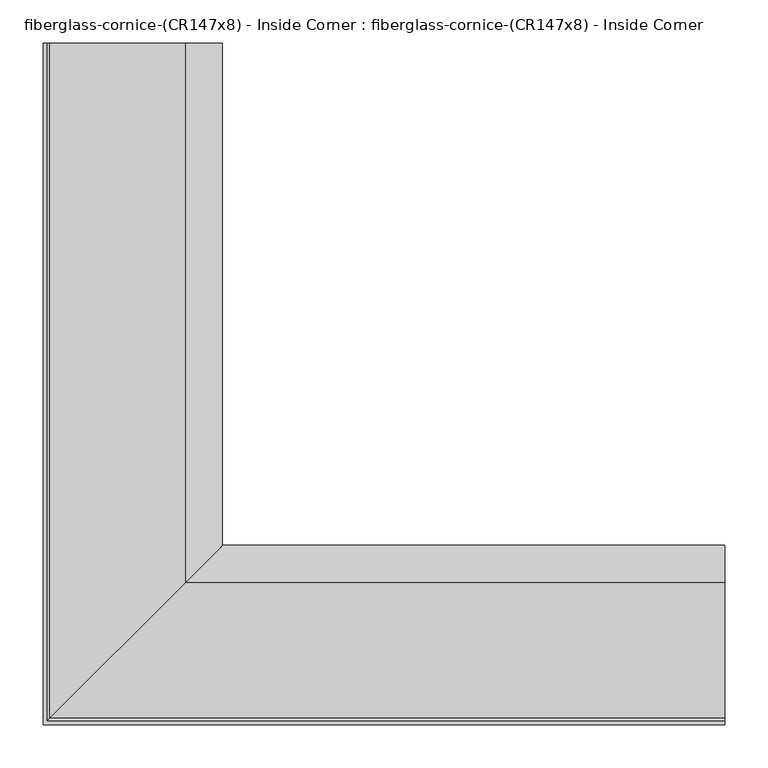
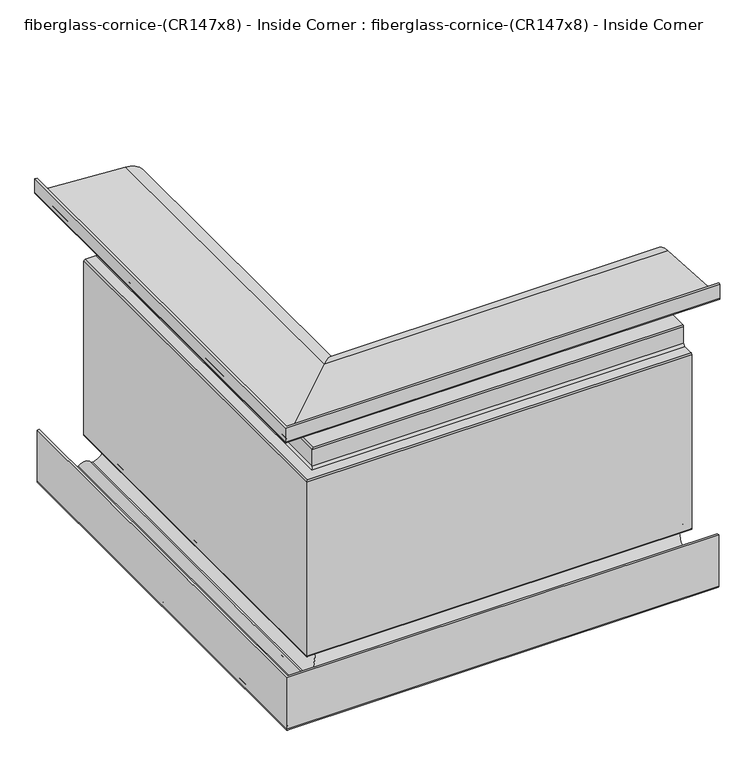
"""IFC4 building model written with IfcOpenShell, lengths in millimetres: furniture geometry, fiberglass-cornice-(CR147x8) - Inside Corner : fiberglass-cornice-(CR147x8) - Inside Corner."""

from ifc_helpers import new_model, si_unit, frame, origin, place, context, project, spatial, polyline, circle_curve, ellipse_curve, source, transform, mapped, element, save
from ifc_brep_helpers import plane_surface, cylinder_surface, revolved_surface, advanced_brep


def fiberglass_cornice_cr147x8_inside_corner_fiberglass_cornice_ae89ceee(model_context):
    return source(origin(), model_context, "Body", "AdvancedBrep", [
        advanced_brep(
        [(-393.6999938, 888.603125, 330.1999904), (-389.5724914, 888.603125, 330.1999904), (-389.5724914, 888.603125, 307.6054193), (-386.5877292, 888.603125, 304.6206571), (-229.6882374, 888.603125, 295.1944431), (-229.4397752, 888.603125, 203.2958774), (-232.4098251, 888.603125, 200.3258275), (-232.4098251, 888.603125, 180.9749641), (-235.5848155, 888.603125, 177.7999736), (-272.0974586, 888.603125, 177.7999736), (-275.2724788, 888.603125, 174.6249534), (-275.2724788, 888.603125, 142.8749897), (-278.447499, 888.603125, 139.6999694), (-297.4973819, 888.603125, 139.6999694), (-300.6724021, 888.603125, 136.5249492), (-300.6724021, 888.603125, -187.3250119), (-297.4973819, 888.603125, -190.5000322), (-294.3224365, 888.603125, -190.5000322), (-291.7746391, 888.603125, -253.8953323), (-295.003152, 888.603125, -252.1216536), (-312.7217899, 888.603125, -252.1845378), (-315.5909679, 888.603125, -254.0000342), (-386.3974712, 888.603125, -254.0000342), (-389.5724914, 888.603125, -250.825014), (-389.5724914, 888.603125, -152.4000354), (-385.444989, 888.603125, -152.4000354), (-385.444989, 888.603125, -246.0623668), (-381.6348217, 888.603125, -249.8725341), (-318.2934425, 888.603125, -249.8725341), (-315.1940831, 888.603125, -248.2782681), (-292.7600699, 888.603125, -247.9272954), (-288.9968172, 888.603125, -249.3542827), (-294.3176525, 888.603125, -194.6275346), (-302.2600315, 888.603125, -194.6275346), (-304.7999046, 888.603125, -192.0876615), (-304.7999046, 888.603125, 141.2875988), (-302.2600315, 888.603125, 143.8274719), (-283.2099698, 888.603125, 143.8274719), (-279.3999813, 888.603125, 147.6374604), (-279.3999813, 888.603125, 179.3873645), (-276.8598697, 888.603125, 181.9274761), (-240.347316, 888.603125, 181.9274761), (-236.5373275, 888.603125, 185.7374646), (-236.5373275, 888.603125, 204.7235973), (-233.8519664, 888.603125, 207.3536327), (-229.8966548, 888.603125, 291.0720445), (-391.3122318, 888.603125, 300.7695414), (-393.6999938, 888.603125, 303.1573035), (393.6999938, 101.203125, 330.1999904), (393.6999938, 101.203125, 303.1573035), (393.6999938, 103.5908871, 300.7695414), (393.6999938, 265.006464, 291.0720445), (393.6999938, 261.0511525, 207.3536327), (393.6999938, 258.3657913, 204.7235973), (393.6999938, 258.3657913, 185.7374646), (393.6999938, 254.5558028, 181.9274761), (393.6999938, 218.0432491, 181.9274761), (393.6999938, 215.5031376, 179.3873645), (393.6999938, 215.5031376, 147.6374604), (393.6999938, 211.6931491, 143.8274719), (393.6999938, 192.6430874, 143.8274719), (393.6999938, 190.1032143, 141.2875988), (393.6999938, 190.1032143, -192.0876615), (393.6999938, 192.6430874, -194.6275346), (393.6999938, 200.5854663, -194.6275346), (393.6999938, 205.9063017, -249.3542827), (393.6999938, 202.1430489, -247.9272954), (393.6999938, 179.7090357, -248.2782681), (393.6999938, 176.6096764, -249.8725341), (393.6999938, 113.2682972, -249.8725341), (393.6999938, 109.4581299, -246.0623668), (393.6999938, 109.4581299, -152.4000354), (393.6999938, 105.3306274, -152.4000354), (393.6999938, 105.3306274, -250.825014), (393.6999938, 108.5056477, -254.0000342), (393.6999938, 179.312151, -254.0000342), (393.6999938, 182.1813289, -252.1845378), (393.6999938, 199.8999668, -252.1216536), (393.6999938, 203.1284798, -253.8953323), (393.6999938, 200.5806824, -190.5000322), (393.6999938, 197.4057369, -190.5000322), (393.6999938, 194.2307167, -187.3250119), (393.6999938, 194.2307167, 136.5249492), (393.6999938, 197.4057369, 139.6999694), (393.6999938, 216.4556198, 139.6999694), (393.6999938, 219.63064, 142.8749897), (393.6999938, 219.63064, 174.6249534), (393.6999938, 222.8056602, 177.7999736), (393.6999938, 259.3183033, 177.7999736), (393.6999938, 262.4932938, 180.9749641), (393.6999938, 262.4932938, 200.3258275), (393.6999938, 265.4633437, 203.2958774), (393.6999938, 265.2148815, 295.1944431), (393.6999938, 108.3153896, 304.6206571), (393.6999938, 105.3306274, 307.6054193), (393.6999938, 105.3306274, 330.1999904), (-393.6999938, 101.203125, 330.1999904), (-389.5724914, 105.3306274, 330.1999904), (-389.5724914, 105.3306274, 307.6054193), (-386.5877292, 108.3153896, 304.6206571), (-229.6882374, 265.2148815, 295.1944431), (-229.4397752, 265.4633437, 203.2958774), (-232.4098251, 262.4932938, 200.3258275), (-232.4098251, 262.4932938, 180.9749641), (-235.5848155, 259.3183033, 177.7999736), (-272.0974586, 222.8056602, 177.7999736), (-275.2724788, 219.63064, 174.6249534), (-275.2724788, 219.63064, 142.8749897), (-278.447499, 216.4556198, 139.6999694), (-297.4973819, 197.4057369, 139.6999694), (-300.6724021, 194.2307167, 136.5249492), (-300.6724021, 194.2307167, -187.3250119), (-297.4973819, 197.4057369, -190.5000322), (-294.3224365, 200.5806824, -190.5000322), (-291.7746391, 203.1284798, -253.8953323), (-295.003152, 199.8999668, -252.1216536), (-312.7217899, 182.1813289, -252.1845378), (-315.5909679, 179.312151, -254.0000342), (-386.3974712, 108.5056477, -254.0000342), (-389.5724914, 105.3306274, -250.825014), (-389.5724914, 105.3306274, -152.4000354), (-385.444989, 109.4581299, -152.4000354), (-385.444989, 109.4581299, -246.0623668), (-381.6348217, 113.2682972, -249.8725341), (-318.2934425, 176.6096764, -249.8725341), (-315.1940831, 179.7090357, -248.2782681), (-292.7600699, 202.1430489, -247.9272954), (-288.9968172, 205.9063017, -249.3542827), (-294.3176525, 200.5854663, -194.6275346), (-302.2600315, 192.6430874, -194.6275346), (-304.7999046, 190.1032143, -192.0876615), (-304.7999046, 190.1032143, 141.2875988), (-302.2600315, 192.6430874, 143.8274719), (-283.2099698, 211.6931491, 143.8274719), (-279.3999813, 215.5031376, 147.6374604), (-279.3999813, 215.5031376, 179.3873645), (-276.8598697, 218.0432491, 181.9274761), (-240.347316, 254.5558028, 181.9274761), (-236.5373275, 258.3657913, 185.7374646), (-236.5373275, 258.3657913, 204.7235973), (-233.8519664, 261.0511525, 207.3536327), (-229.8966548, 265.006464, 291.0720445), (-391.3122318, 103.5908871, 300.7695414), (-393.6999938, 101.203125, 303.1573035)],
        [
            (0, 1),
            (1, 2),
            (2, 3, circle_curve(frame((-386.5877292, 888.603125, 307.6054193), z_axis=(0.0, -1.0, 0.0), x_axis=(1.0, 0.0, 0.0)), 2.9847622)),
            (3, 4),
            (4, 5, circle_curve(frame((-232.4099365, 888.603125, 249.2374658), z_axis=(0.0, 1.0, 0.0), x_axis=(1.0, 0.0, 0.0)), 46.0375)),
            (5, 6, circle_curve(frame((-229.4397752, 888.603125, 200.3258275), z_axis=(0.0, -1.0, 0.0), x_axis=(1.0, 0.0, 0.0)), 2.9700499)),
            (6, 7),
            (7, 8, circle_curve(frame((-235.5848155, 888.603125, 180.9749641), z_axis=(0.0, 1.0, 0.0), x_axis=(1.0, 0.0, 0.0)), 3.1749904)),
            (8, 9),
            (9, 10, circle_curve(frame((-272.0974586, 888.603125, 174.6249534), z_axis=(0.0, -1.0, 0.0), x_axis=(1.0, 0.0, 0.0)), 3.1750202)),
            (10, 11),
            (11, 12, circle_curve(frame((-278.447499, 888.603125, 142.8749897), z_axis=(0.0, 1.0, 0.0), x_axis=(1.0, 0.0, 0.0)), 3.1750202)),
            (12, 13),
            (13, 14, circle_curve(frame((-297.4973819, 888.603125, 136.5249492), z_axis=(0.0, -1.0, 0.0), x_axis=(1.0, 0.0, 0.0)), 3.1750202)),
            (14, 15),
            (15, 16, circle_curve(frame((-297.4973819, 888.603125, -187.3250119), z_axis=(0.0, -1.0, 0.0), x_axis=(1.0, 0.0, 0.0)), 3.1750202)),
            (16, 17),
            (17, 18, circle_curve(frame((-294.3224365, 888.603125, -222.248879), z_axis=(0.0, 1.0, 0.0), x_axis=(1.0, 0.0, 0.0)), 31.7488469)),
            (18, 19, circle_curve(frame((-292.1436479, 888.603125, -250.7418489), z_axis=(0.0, 1.0, 0.0), x_axis=(1.0, 0.0, 0.0)), 3.175)),
            (19, 20, circle_curve(frame((-303.8474365, 888.603125, -256.3893115), z_axis=(0.0, -1.0, 0.0), x_axis=(1.0, 0.0, 0.0)), 9.8200953)),
            (20, 21, circle_curve(frame((-315.5909679, 888.603125, -250.8250873), z_axis=(0.0, 1.0, 0.0), x_axis=(1.0, 0.0, 0.0)), 3.1749469)),
            (21, 22),
            (22, 23, circle_curve(frame((-386.3974712, 888.603125, -250.825014), z_axis=(0.0, 1.0, 0.0), x_axis=(1.0, 0.0, 0.0)), 3.1750202)),
            (23, 24),
            (24, 25),
            (25, 26),
            (26, 27, circle_curve(frame((-381.6348217, 888.603125, -246.0623668), z_axis=(0.0, -1.0, 0.0), x_axis=(1.0, 0.0, 0.0)), 3.8101673)),
            (27, 28),
            (28, 29, circle_curve(frame((-318.2934425, 888.603125, -246.0627203), z_axis=(0.0, -1.0, 0.0), x_axis=(1.0, 0.0, 0.0)), 3.8098137)),
            (29, 30, circle_curve(frame((-303.8474365, 888.603125, -256.3893115), z_axis=(0.0, 1.0, 0.0), x_axis=(1.0, 0.0, 0.0)), 13.9475953)),
            (30, 31, circle_curve(frame((-289.7313853, 888.603125, -245.6157656), z_axis=(0.0, -1.0, 0.0), x_axis=(1.0, 0.0, 0.0)), 3.81)),
            (31, 32, circle_curve(frame((-294.3224365, 888.603125, -222.2500342), z_axis=(0.0, -1.0, 0.0), x_axis=(1.0, 0.0, 0.0)), 27.6225)),
            (32, 33),
            (33, 34, circle_curve(frame((-302.2600315, 888.603125, -192.0876615), z_axis=(0.0, 1.0, 0.0), x_axis=(1.0, 0.0, 0.0)), 2.5398731)),
            (34, 35),
            (35, 36, circle_curve(frame((-302.2600315, 888.603125, 141.2875988), z_axis=(0.0, 1.0, 0.0), x_axis=(1.0, 0.0, 0.0)), 2.5398731)),
            (36, 37),
            (37, 38, circle_curve(frame((-283.2099698, 888.603125, 147.6374604), z_axis=(0.0, -1.0, 0.0), x_axis=(1.0, 0.0, 0.0)), 3.8099885)),
            (38, 39),
            (39, 40, circle_curve(frame((-276.8598697, 888.603125, 179.3873645), z_axis=(0.0, 1.0, 0.0), x_axis=(1.0, 0.0, 0.0)), 2.5401115)),
            (40, 41),
            (41, 42, circle_curve(frame((-240.347316, 888.603125, 185.7374646), z_axis=(0.0, -1.0, 0.0), x_axis=(1.0, 0.0, 0.0)), 3.8099885)),
            (42, 43),
            (43, 44, circle_curve(frame((-233.9067222, 888.603125, 204.7235973), z_axis=(0.0, 1.0, 0.0), x_axis=(1.0, 0.0, 0.0)), 2.6306053)),
            (44, 45, circle_curve(frame((-232.4099446, 888.603125, 249.2381449), z_axis=(0.0, -1.0, 0.0), x_axis=(1.0, 0.0, 0.0)), 41.9093281)),
            (45, 46),
            (46, 47, circle_curve(frame((-391.3122318, 888.603125, 303.1573035), z_axis=(0.0, 1.0, 0.0), x_axis=(1.0, 0.0, 0.0)), 2.3877621)),
            (47, 0),
            (48, 49),
            (49, 50, circle_curve(frame((393.6999938, 103.5908871, 303.1573035), z_axis=(1.0, 0.0, 0.0), x_axis=(0.0, 1.0, 0.0)), 2.3877621)),
            (50, 51),
            (51, 52, circle_curve(frame((393.6999938, 262.4931743, 249.2381449), z_axis=(-1.0, 0.0, 0.0), x_axis=(0.0, 1.0, 0.0)), 41.9093281)),
            (52, 53, circle_curve(frame((393.6999938, 260.9963967, 204.7235973), z_axis=(1.0, 0.0, 0.0), x_axis=(0.0, 1.0, 0.0)), 2.6306053)),
            (53, 54),
            (54, 55, circle_curve(frame((393.6999938, 254.5558028, 185.7374646), z_axis=(-1.0, 0.0, 0.0), x_axis=(0.0, 1.0, 0.0)), 3.8099885)),
            (55, 56),
            (56, 57, circle_curve(frame((393.6999938, 218.0432491, 179.3873645), z_axis=(1.0, 0.0, 0.0), x_axis=(0.0, 1.0, 0.0)), 2.5401115)),
            (57, 58),
            (58, 59, circle_curve(frame((393.6999938, 211.6931491, 147.6374604), z_axis=(-1.0, 0.0, 0.0), x_axis=(0.0, 1.0, 0.0)), 3.8099885)),
            (59, 60),
            (60, 61, circle_curve(frame((393.6999938, 192.6430874, 141.2875988), z_axis=(1.0, 0.0, 0.0), x_axis=(0.0, 1.0, 0.0)), 2.5398731)),
            (61, 62),
            (62, 63, circle_curve(frame((393.6999938, 192.6430874, -192.0876615), z_axis=(1.0, 0.0, 0.0), x_axis=(0.0, 1.0, 0.0)), 2.5398731)),
            (63, 64),
            (64, 65, circle_curve(frame((393.6999938, 200.5806824, -222.2500342), z_axis=(-1.0, 0.0, 0.0), x_axis=(0.0, 1.0, 0.0)), 27.6225)),
            (65, 66, circle_curve(frame((393.6999938, 205.1717335, -245.6157656), z_axis=(-1.0, 0.0, 0.0), x_axis=(0.0, 1.0, 0.0)), 3.81)),
            (66, 67, circle_curve(frame((393.6999938, 191.0556824, -256.3893115), z_axis=(1.0, 0.0, 0.0), x_axis=(0.0, 1.0, 0.0)), 13.9475953)),
            (67, 68, circle_curve(frame((393.6999938, 176.6096764, -246.0627203), z_axis=(-1.0, 0.0, 0.0), x_axis=(0.0, 1.0, 0.0)), 3.8098137)),
            (68, 69),
            (69, 70, circle_curve(frame((393.6999938, 113.2682972, -246.0623668), z_axis=(-1.0, 0.0, 0.0), x_axis=(0.0, 1.0, 0.0)), 3.8101673)),
            (70, 71),
            (71, 72),
            (72, 73),
            (73, 74, circle_curve(frame((393.6999938, 108.5056477, -250.825014), z_axis=(1.0, 0.0, 0.0), x_axis=(0.0, 1.0, 0.0)), 3.1750202)),
            (74, 75),
            (75, 76, circle_curve(frame((393.6999938, 179.312151, -250.8250873), z_axis=(1.0, 0.0, 0.0), x_axis=(0.0, 1.0, 0.0)), 3.1749469)),
            (76, 77, circle_curve(frame((393.6999938, 191.0556824, -256.3893115), z_axis=(-1.0, 0.0, 0.0), x_axis=(0.0, 1.0, 0.0)), 9.8200953)),
            (77, 78, circle_curve(frame((393.6999938, 202.759471, -250.7418489), z_axis=(1.0, 0.0, 0.0), x_axis=(0.0, 1.0, 0.0)), 3.175)),
            (78, 79, circle_curve(frame((393.6999938, 200.5806824, -222.248879), z_axis=(1.0, 0.0, 0.0), x_axis=(0.0, 1.0, 0.0)), 31.7488469)),
            (79, 80),
            (80, 81, circle_curve(frame((393.6999938, 197.4057369, -187.3250119), z_axis=(-1.0, 0.0, 0.0), x_axis=(0.0, 1.0, 0.0)), 3.1750202)),
            (81, 82),
            (82, 83, circle_curve(frame((393.6999938, 197.4057369, 136.5249492), z_axis=(-1.0, 0.0, 0.0), x_axis=(0.0, 1.0, 0.0)), 3.1750202)),
            (83, 84),
            (84, 85, circle_curve(frame((393.6999938, 216.4556198, 142.8749897), z_axis=(1.0, 0.0, 0.0), x_axis=(0.0, 1.0, 0.0)), 3.1750202)),
            (85, 86),
            (86, 87, circle_curve(frame((393.6999938, 222.8056602, 174.6249534), z_axis=(-1.0, 0.0, 0.0), x_axis=(0.0, 1.0, 0.0)), 3.1750202)),
            (87, 88),
            (88, 89, circle_curve(frame((393.6999938, 259.3183033, 180.9749641), z_axis=(1.0, 0.0, 0.0), x_axis=(0.0, 1.0, 0.0)), 3.1749904)),
            (89, 90),
            (90, 91, circle_curve(frame((393.6999938, 265.4633437, 200.3258275), z_axis=(-1.0, 0.0, 0.0), x_axis=(0.0, 1.0, 0.0)), 2.9700499)),
            (91, 92, circle_curve(frame((393.6999938, 262.4931824, 249.2374658), z_axis=(1.0, 0.0, 0.0), x_axis=(0.0, 1.0, 0.0)), 46.0375)),
            (92, 93),
            (93, 94, circle_curve(frame((393.6999938, 108.3153896, 307.6054193), z_axis=(-1.0, 0.0, 0.0), x_axis=(0.0, 1.0, 0.0)), 2.9847622)),
            (94, 95),
            (95, 48),
            (0, 96),
            (96, 48),
            (95, 97),
            (97, 1),
            (97, 98),
            (98, 2),
            (98, 99, ellipse_curve(frame((-386.5877292, 108.3153896, 307.6054193), z_axis=(0.7071067811865475, -0.7071067811865475, 0.0), x_axis=(-0.7071067811865474, -0.7071067811865476, 0.0)), 4.2210912, 2.9847622)),
            (99, 3),
            (99, 100),
            (100, 4),
            (100, 101, ellipse_curve(frame((-232.4099365, 262.4931824, 249.2374658), z_axis=(-0.7071067811865475, 0.7071067811865475, 0.0), x_axis=(0.7071067811865474, 0.7071067811865476, 0.0)), 65.1068569, 46.0375)),
            (101, 5),
            (101, 102, ellipse_curve(frame((-229.4397752, 265.4633437, 200.3258275), z_axis=(0.7071067811865475, -0.7071067811865475, 0.0), x_axis=(-0.7071067811865474, -0.7071067811865476, 0.0)), 4.2002849, 2.9700499)),
            (102, 6),
            (102, 103),
            (103, 7),
            (103, 104, ellipse_curve(frame((-235.5848155, 259.3183033, 180.9749641), z_axis=(-0.7071067811865475, 0.7071067811865475, 0.0), x_axis=(0.7071067811865474, 0.7071067811865476, 0.0)), 4.4901145, 3.1749904)),
            (104, 8),
            (104, 88),
            (87, 105),
            (105, 9),
            (105, 106, ellipse_curve(frame((-272.0974586, 222.8056602, 174.6249534), z_axis=(0.7071067811865475, -0.7071067811865475, 0.0), x_axis=(-0.7071067811865474, -0.7071067811865476, 0.0)), 4.4901567, 3.1750202)),
            (106, 10),
            (106, 107),
            (107, 11),
            (107, 108, ellipse_curve(frame((-278.447499, 216.4556198, 142.8749897), z_axis=(-0.7071067811865475, 0.7071067811865475, 0.0), x_axis=(0.7071067811865474, 0.7071067811865476, 0.0)), 4.4901567, 3.1750202)),
            (108, 12),
            (108, 84),
            (83, 109),
            (109, 13),
            (109, 110, ellipse_curve(frame((-297.4973819, 197.4057369, 136.5249492), z_axis=(0.7071067811865475, -0.7071067811865475, 0.0), x_axis=(-0.7071067811865474, -0.7071067811865476, 0.0)), 4.4901567, 3.1750202)),
            (110, 14),
            (110, 111),
            (111, 15),
            (111, 112, ellipse_curve(frame((-297.4973819, 197.4057369, -187.3250119), z_axis=(0.7071067811865475, -0.7071067811865475, 0.0), x_axis=(-0.7071067811865474, -0.7071067811865476, 0.0)), 4.4901567, 3.1750202)),
            (112, 16),
            (112, 80),
            (79, 113),
            (113, 17),
            (113, 114, ellipse_curve(frame((-294.3224365, 200.5806824, -222.248879), z_axis=(-0.7071067811865475, 0.7071067811865475, 0.0), x_axis=(0.7071067811865474, 0.7071067811865476, 0.0)), 44.8996498, 31.7488469)),
            (114, 18),
            (114, 115, ellipse_curve(frame((-292.1436479, 202.759471, -250.7418489), z_axis=(-0.7071067811865475, 0.7071067811865475, 0.0), x_axis=(0.7071067811865474, 0.7071067811865476, 0.0)), 4.4901281, 3.175)),
            (115, 19),
            (115, 116, ellipse_curve(frame((-303.8474365, 191.0556824, -256.3893115), z_axis=(0.7071067811865475, -0.7071067811865475, 0.0), x_axis=(-0.7071067811865474, -0.7071067811865476, 0.0)), 13.8877119, 9.8200953)),
            (116, 20),
            (116, 117, ellipse_curve(frame((-315.5909679, 179.312151, -250.8250873), z_axis=(-0.7071067811865475, 0.7071067811865475, 0.0), x_axis=(0.7071067811865474, 0.7071067811865476, 0.0)), 4.490053, 3.1749469)),
            (117, 21),
            (117, 75),
            (74, 118),
            (118, 22),
            (118, 119, ellipse_curve(frame((-386.3974712, 108.5056477, -250.825014), z_axis=(-0.7071067811865475, 0.7071067811865475, 0.0), x_axis=(0.7071067811865474, 0.7071067811865476, 0.0)), 4.4901567, 3.1750202)),
            (119, 23),
            (119, 120),
            (120, 24),
            (120, 72),
            (71, 121),
            (121, 25),
            (121, 122),
            (122, 26),
            (122, 123, ellipse_curve(frame((-381.6348217, 113.2682972, -246.0623668), z_axis=(0.7071067811865475, -0.7071067811865475, 0.0), x_axis=(-0.7071067811865474, -0.7071067811865476, 0.0)), 5.3883903, 3.8101673)),
            (123, 27),
            (123, 69),
            (68, 124),
            (124, 28),
            (124, 125, ellipse_curve(frame((-318.2934425, 176.6096764, -246.0627203), z_axis=(0.7071067811865475, -0.7071067811865475, 0.0), x_axis=(-0.7071067811865474, -0.7071067811865476, 0.0)), 5.3878903, 3.8098137)),
            (125, 29),
            (125, 126, ellipse_curve(frame((-303.8474365, 191.0556824, -256.3893115), z_axis=(-0.7071067811865475, 0.7071067811865475, 0.0), x_axis=(0.7071067811865474, 0.7071067811865476, 0.0)), 19.7248784, 13.9475953)),
            (126, 30),
            (126, 127, ellipse_curve(frame((-289.7313853, 205.1717335, -245.6157656), z_axis=(0.7071067811865475, -0.7071067811865475, 0.0), x_axis=(-0.7071067811865474, -0.7071067811865476, 0.0)), 5.3881537, 3.81)),
            (127, 31),
            (127, 128, ellipse_curve(frame((-294.3224365, 200.5806824, -222.2500342), z_axis=(0.7071067811865475, -0.7071067811865475, 0.0), x_axis=(-0.7071067811865474, -0.7071067811865476, 0.0)), 39.0641141, 27.6225)),
            (128, 32),
            (128, 64),
            (63, 129),
            (129, 33),
            (129, 130, ellipse_curve(frame((-302.2600315, 192.6430874, -192.0876615), z_axis=(-0.7071067811865475, 0.7071067811865475, 0.0), x_axis=(0.7071067811865474, 0.7071067811865476, 0.0)), 3.591923, 2.5398731)),
            (130, 34),
            (130, 131),
            (131, 35),
            (131, 132, ellipse_curve(frame((-302.2600315, 192.6430874, 141.2875988), z_axis=(-0.7071067811865475, 0.7071067811865475, 0.0), x_axis=(0.7071067811865474, 0.7071067811865476, 0.0)), 3.591923, 2.5398731)),
            (132, 36),
            (132, 60),
            (59, 133),
            (133, 37),
            (133, 134, ellipse_curve(frame((-283.2099698, 211.6931491, 147.6374604), z_axis=(0.7071067811865475, -0.7071067811865475, 0.0), x_axis=(-0.7071067811865474, -0.7071067811865476, 0.0)), 5.3881374, 3.8099885)),
            (134, 38),
            (134, 135),
            (135, 39),
            (135, 136, ellipse_curve(frame((-276.8598697, 218.0432491, 179.3873645), z_axis=(-0.7071067811865475, 0.7071067811865475, 0.0), x_axis=(0.7071067811865474, 0.7071067811865476, 0.0)), 3.5922602, 2.5401115)),
            (136, 40),
            (136, 56),
            (55, 137),
            (137, 41),
            (137, 138, ellipse_curve(frame((-240.347316, 254.5558028, 185.7374646), z_axis=(0.7071067811865475, -0.7071067811865475, 0.0), x_axis=(-0.7071067811865474, -0.7071067811865476, 0.0)), 5.3881374, 3.8099885)),
            (138, 42),
            (138, 139),
            (139, 43),
            (139, 140, ellipse_curve(frame((-233.9067222, 260.9963967, 204.7235973), z_axis=(-0.7071067811865475, 0.7071067811865475, 0.0), x_axis=(0.7071067811865474, 0.7071067811865476, 0.0)), 3.7202378, 2.6306053)),
            (140, 44),
            (140, 141, ellipse_curve(frame((-232.4099446, 262.4931743, 249.2381449), z_axis=(0.7071067811865475, -0.7071067811865475, 0.0), x_axis=(-0.7071067811865474, -0.7071067811865476, 0.0)), 59.2687402, 41.9093281)),
            (141, 45),
            (141, 142),
            (142, 46),
            (142, 143, ellipse_curve(frame((-391.3122318, 103.5908871, 303.1573035), z_axis=(-0.7071067811865475, 0.7071067811865475, 0.0), x_axis=(0.7071067811865474, 0.7071067811865476, 0.0)), 3.3768055, 2.3877621)),
            (143, 47),
            (143, 96),
            (94, 98),
            (93, 99),
            (92, 100),
            (91, 101),
            (90, 102),
            (89, 103),
            (86, 106),
            (85, 107),
            (82, 110),
            (81, 111),
            (78, 114),
            (77, 115),
            (76, 116),
            (73, 119),
            (70, 122),
            (67, 125),
            (66, 126),
            (65, 127),
            (62, 130),
            (61, 131),
            (58, 134),
            (57, 135),
            (54, 138),
            (53, 139),
            (52, 140),
            (51, 141),
            (50, 142),
            (49, 143),
        ],
        [
            plane_surface(frame((-393.6999938, 888.603125, 330.1999904), z_axis=(0.0, 1.0, 0.0), x_axis=(0.0, 0.0, 1.0))),
            plane_surface(frame((393.6999938, 101.203125, 330.1999904), z_axis=(1.0, 0.0, 0.0), x_axis=(0.0, 0.0, 1.0))),
            plane_surface(frame((-393.6999938, 888.603125, 330.1999904), z_axis=(0.0, 0.0, 1.0), x_axis=(0.0, -1.0, 0.0))),
            plane_surface(frame((-389.5724914, 888.603125, 330.1999904), z_axis=(1.0, 0.0, 0.0), x_axis=(0.0, -1.0, 0.0))),
            revolved_surface(polyline([(-383.60296700000004, 105.33062738847309, 307.6054193), (-383.60296700000004, 888.603125, 307.6054193)]), (-386.5877292, 888.603125, 307.6054193), (0.0, -1.0, 0.0)),
            plane_surface(frame((-386.5877292, 888.603125, 304.6206571), z_axis=(0.059969911149640016, 0.0, 0.998200185211716), x_axis=(0.0, -1.0, 0.0))),
            cylinder_surface(frame((-232.4099365, 888.603125, 249.2374658), z_axis=(0.0, 1.0, 0.0), x_axis=(1.0, 0.0, 0.0)), 46.0375),
            revolved_surface(polyline([(-226.46972530000002, 262.49329376429455, 200.3258275), (-226.46972530000002, 888.603125, 200.3258275)]), (-229.4397752, 888.603125, 200.3258275), (0.0, -1.0, 0.0)),
            plane_surface(frame((-232.4098251, 888.603125, 200.3258275), z_axis=(1.0, 0.0, 0.0), x_axis=(0.0, -1.0, 0.0))),
            cylinder_surface(frame((-235.5848155, 888.603125, 180.9749641), z_axis=(0.0, 1.0, 0.0), x_axis=(1.0, 0.0, 0.0)), 3.1749904),
            plane_surface(frame((-235.5848155, 888.603125, 177.7999736), z_axis=(0.0, 0.0, -1.0), x_axis=(0.0, -1.0, 0.0))),
            revolved_surface(polyline([(-268.9224384, 219.63063994883987, 174.6249534), (-268.9224384, 888.603125, 174.6249534)]), (-272.0974586, 888.603125, 174.6249534), (0.0, -1.0, 0.0)),
            plane_surface(frame((-275.2724788, 888.603125, 174.6249534), z_axis=(1.0, 0.0, 0.0), x_axis=(0.0, -1.0, 0.0))),
            cylinder_surface(frame((-278.447499, 888.603125, 142.8749897), z_axis=(0.0, 1.0, 0.0), x_axis=(1.0, 0.0, 0.0)), 3.1750202),
            plane_surface(frame((-278.447499, 888.603125, 139.6999694), z_axis=(0.0, 0.0, -1.0), x_axis=(0.0, -1.0, 0.0))),
            revolved_surface(polyline([(-294.3223617, 194.2307166488398, 136.5249492), (-294.3223617, 888.603125, 136.5249492)]), (-297.4973819, 888.603125, 136.5249492), (0.0, -1.0, 0.0)),
            plane_surface(frame((-300.6724021, 888.603125, 136.5249492), z_axis=(1.0, 0.0, 0.0), x_axis=(0.0, -1.0, 0.0))),
            revolved_surface(polyline([(-294.3223617, 194.2307166488398, -187.3250119), (-294.3223617, 888.603125, -187.3250119)]), (-297.4973819, 888.603125, -187.3250119), (0.0, -1.0, 0.0)),
            plane_surface(frame((-297.4973819, 888.603125, -190.5000322), z_axis=(0.0, 0.0, 1.0), x_axis=(0.0, -1.0, 0.0))),
            cylinder_surface(frame((-294.3224365, 888.603125, -222.248879), z_axis=(0.0, 1.0, 0.0), x_axis=(1.0, 0.0, 0.0)), 31.7488469),
            cylinder_surface(frame((-292.1436479, 888.603125, -250.7418489), z_axis=(0.0, 1.0, 0.0), x_axis=(1.0, 0.0, 0.0)), 3.175),
            revolved_surface(polyline([(-294.0273412, 181.23558714034493, -256.3893115), (-294.0273412, 888.603125, -256.3893115)]), (-303.8474365, 888.603125, -256.3893115), (0.0, -1.0, 0.0)),
            cylinder_surface(frame((-315.5909679, 888.603125, -250.8250873), z_axis=(0.0, 1.0, 0.0), x_axis=(1.0, 0.0, 0.0)), 3.1749469),
            plane_surface(frame((-315.5909679, 888.603125, -254.0000342), z_axis=(0.0, 0.0, -1.0), x_axis=(0.0, -1.0, 0.0))),
            cylinder_surface(frame((-386.3974712, 888.603125, -250.825014), z_axis=(0.0, 1.0, 0.0), x_axis=(1.0, 0.0, 0.0)), 3.1750202),
            plane_surface(frame((-389.5724914, 888.603125, -250.825014), z_axis=(-1.0, 0.0, 0.0), x_axis=(0.0, -1.0, 0.0))),
            plane_surface(frame((-389.5724914, 888.603125, -152.4000354), z_axis=(0.0, 0.0, 1.0), x_axis=(0.0, -1.0, 0.0))),
            plane_surface(frame((-385.444989, 888.603125, -152.4000354), z_axis=(1.0, 0.0, 0.0), x_axis=(0.0, -1.0, 0.0))),
            revolved_surface(polyline([(-377.8246544, 109.45812987919021, -246.0623668), (-377.8246544, 888.603125, -246.0623668)]), (-381.6348217, 888.603125, -246.0623668), (0.0, -1.0, 0.0)),
            plane_surface(frame((-381.6348217, 888.603125, -249.8725341), z_axis=(0.0, 0.0, 1.0), x_axis=(0.0, -1.0, 0.0))),
            revolved_surface(polyline([(-314.4836288, 172.7998626325808, -246.0627203), (-314.4836288, 888.603125, -246.0627203)]), (-318.2934425, 888.603125, -246.0627203), (0.0, -1.0, 0.0)),
            cylinder_surface(frame((-303.8474365, 888.603125, -256.3893115), z_axis=(0.0, 1.0, 0.0), x_axis=(1.0, 0.0, 0.0)), 13.9475953),
            revolved_surface(polyline([(-285.9213853, 201.3617334806546, -245.6157656), (-285.9213853, 888.603125, -245.6157656)]), (-289.7313853, 888.603125, -245.6157656), (0.0, -1.0, 0.0)),
            revolved_surface(polyline([(-266.6999365, 172.958182418845, -222.2500342), (-266.6999365, 888.603125, -222.2500342)]), (-294.3224365, 888.603125, -222.2500342), (0.0, -1.0, 0.0)),
            plane_surface(frame((-294.3176525, 888.603125, -194.6275346), z_axis=(0.0, 0.0, -1.0), x_axis=(0.0, -1.0, 0.0))),
            cylinder_surface(frame((-302.2600315, 888.603125, -192.0876615), z_axis=(0.0, 1.0, 0.0), x_axis=(1.0, 0.0, 0.0)), 2.5398731),
            plane_surface(frame((-304.7999046, 888.603125, -192.0876615), z_axis=(-1.0, 0.0, 0.0), x_axis=(0.0, -1.0, 0.0))),
            cylinder_surface(frame((-302.2600315, 888.603125, 141.2875988), z_axis=(0.0, 1.0, 0.0), x_axis=(1.0, 0.0, 0.0)), 2.5398731),
            plane_surface(frame((-302.2600315, 888.603125, 143.8274719), z_axis=(0.0, 0.0, 1.0), x_axis=(0.0, -1.0, 0.0))),
            revolved_surface(polyline([(-279.39998130000004, 207.88316060649515, 147.6374604), (-279.39998130000004, 888.603125, 147.6374604)]), (-283.2099698, 888.603125, 147.6374604), (0.0, -1.0, 0.0)),
            plane_surface(frame((-279.3999813, 888.603125, 147.6374604), z_axis=(-1.0, 0.0, 0.0), x_axis=(0.0, -1.0, 0.0))),
            cylinder_surface(frame((-276.8598697, 888.603125, 179.3873645), z_axis=(0.0, 1.0, 0.0), x_axis=(1.0, 0.0, 0.0)), 2.5401115),
            plane_surface(frame((-276.8598697, 888.603125, 181.9274761), z_axis=(0.0, 0.0, 1.0), x_axis=(0.0, -1.0, 0.0))),
            revolved_surface(polyline([(-236.5373275, 250.74581430649516, 185.7374646), (-236.5373275, 888.603125, 185.7374646)]), (-240.347316, 888.603125, 185.7374646), (0.0, -1.0, 0.0)),
            plane_surface(frame((-236.5373275, 888.603125, 185.7374646), z_axis=(-1.0, 0.0, 0.0), x_axis=(0.0, -1.0, 0.0))),
            cylinder_surface(frame((-233.9067222, 888.603125, 204.7235973), z_axis=(0.0, 1.0, 0.0), x_axis=(1.0, 0.0, 0.0)), 2.6306053),
            revolved_surface(polyline([(-190.50061649999998, 220.58384619219635, 249.2381449), (-190.50061649999998, 888.603125, 249.2381449)]), (-232.4099446, 888.603125, 249.2381449), (0.0, -1.0, 0.0)),
            plane_surface(frame((-229.8966548, 888.603125, 291.0720445), z_axis=(-0.059969697479137926, 0.0, -0.9982001980485983), x_axis=(0.0, -1.0, 0.0))),
            cylinder_surface(frame((-391.3122318, 888.603125, 303.1573035), z_axis=(0.0, 1.0, 0.0), x_axis=(1.0, 0.0, 0.0)), 2.3877621),
            plane_surface(frame((-393.6999938, 888.603125, 303.1573035), z_axis=(-1.0, 0.0, 0.0), x_axis=(0.0, -1.0, 0.0))),
            plane_surface(frame((-389.5724914, 105.3306274, 330.1999904), z_axis=(0.0, 1.0, 0.0), x_axis=(1.0, 0.0, 0.0))),
            revolved_surface(polyline([(393.6999938, 111.30015180000001, 307.6054193), (-389.57249141152687, 111.30015180000001, 307.6054193)]), (-393.6999938, 108.3153896, 307.6054193), (1.0, 0.0, 0.0)),
            plane_surface(frame((-386.5877292, 108.3153896, 304.6206571), z_axis=(0.0, 0.059969911149640016, 0.998200185211716), x_axis=(1.0, 0.0, 0.0))),
            cylinder_surface(frame((-393.6999938, 262.4931824, 249.2374658), z_axis=(-1.0, 0.0, 0.0), x_axis=(0.0, 1.0, 0.0)), 46.0375),
            revolved_surface(polyline([(393.6999938, 268.4333936, 200.3258275), (-232.40982513570546, 268.4333936, 200.3258275)]), (-393.6999938, 265.4633437, 200.3258275), (1.0, 0.0, 0.0)),
            plane_surface(frame((-232.4098251, 262.4932938, 200.3258275), z_axis=(0.0, 1.0, 0.0), x_axis=(1.0, 0.0, 0.0))),
            cylinder_surface(frame((-393.6999938, 259.3183033, 180.9749641), z_axis=(-1.0, 0.0, 0.0), x_axis=(0.0, 1.0, 0.0)), 3.1749904),
            revolved_surface(polyline([(393.6999938, 225.9806804, 174.6249534), (-275.2724788511602, 225.9806804, 174.6249534)]), (-393.6999938, 222.8056602, 174.6249534), (1.0, 0.0, 0.0)),
            plane_surface(frame((-275.2724788, 219.63064, 174.6249534), z_axis=(0.0, 1.0, 0.0), x_axis=(1.0, 0.0, 0.0))),
            cylinder_surface(frame((-393.6999938, 216.4556198, 142.8749897), z_axis=(-1.0, 0.0, 0.0), x_axis=(0.0, 1.0, 0.0)), 3.1750202),
            revolved_surface(polyline([(393.6999938, 200.5807571, 136.5249492), (-300.6724021511602, 200.5807571, 136.5249492)]), (-393.6999938, 197.4057369, 136.5249492), (1.0, 0.0, 0.0)),
            plane_surface(frame((-300.6724021, 194.2307167, 136.5249492), z_axis=(0.0, 1.0, 0.0), x_axis=(1.0, 0.0, 0.0))),
            revolved_surface(polyline([(393.6999938, 200.5807571, -187.3250119), (-300.6724021511602, 200.5807571, -187.3250119)]), (-393.6999938, 197.4057369, -187.3250119), (1.0, 0.0, 0.0)),
            cylinder_surface(frame((-393.6999938, 200.5806824, -222.248879), z_axis=(-1.0, 0.0, 0.0), x_axis=(0.0, 1.0, 0.0)), 31.7488469),
            cylinder_surface(frame((-393.6999938, 202.759471, -250.7418489), z_axis=(-1.0, 0.0, 0.0), x_axis=(0.0, 1.0, 0.0)), 3.175),
            revolved_surface(polyline([(393.6999938, 200.8757777, -256.3893115), (-313.6675317596551, 200.8757777, -256.3893115)]), (-393.6999938, 191.0556824, -256.3893115), (1.0, 0.0, 0.0)),
            cylinder_surface(frame((-393.6999938, 179.312151, -250.8250873), z_axis=(-1.0, 0.0, 0.0), x_axis=(0.0, 1.0, 0.0)), 3.1749469),
            cylinder_surface(frame((-393.6999938, 108.5056477, -250.825014), z_axis=(-1.0, 0.0, 0.0), x_axis=(0.0, 1.0, 0.0)), 3.1750202),
            plane_surface(frame((-389.5724914, 105.3306274, -250.825014), z_axis=(0.0, -1.0, 0.0), x_axis=(1.0, 0.0, 0.0))),
            plane_surface(frame((-385.444989, 109.4581299, -152.4000354), z_axis=(0.0, 1.0, 0.0), x_axis=(1.0, 0.0, 0.0))),
            revolved_surface(polyline([(393.6999938, 117.07846450000001, -246.0623668), (-385.44498902080977, 117.07846450000001, -246.0623668)]), (-393.6999938, 113.2682972, -246.0623668), (1.0, 0.0, 0.0)),
            revolved_surface(polyline([(393.6999938, 180.41949010000002, -246.0627203), (-322.1032562674192, 180.41949010000002, -246.0627203)]), (-393.6999938, 176.6096764, -246.0627203), (1.0, 0.0, 0.0)),
            cylinder_surface(frame((-393.6999938, 191.0556824, -256.3893115), z_axis=(-1.0, 0.0, 0.0), x_axis=(0.0, 1.0, 0.0)), 13.9475953),
            revolved_surface(polyline([(393.6999938, 208.9817335, -245.6157656), (-293.5413853193454, 208.9817335, -245.6157656)]), (-393.6999938, 205.1717335, -245.6157656), (1.0, 0.0, 0.0)),
            revolved_surface(polyline([(393.6999938, 228.2031824, -222.2500342), (-321.94493648115497, 228.2031824, -222.2500342)]), (-393.6999938, 200.5806824, -222.2500342), (1.0, 0.0, 0.0)),
            cylinder_surface(frame((-393.6999938, 192.6430874, -192.0876615), z_axis=(-1.0, 0.0, 0.0), x_axis=(0.0, 1.0, 0.0)), 2.5398731),
            plane_surface(frame((-304.7999046, 190.1032143, -192.0876615), z_axis=(0.0, -1.0, 0.0), x_axis=(1.0, 0.0, 0.0))),
            cylinder_surface(frame((-393.6999938, 192.6430874, 141.2875988), z_axis=(-1.0, 0.0, 0.0), x_axis=(0.0, 1.0, 0.0)), 2.5398731),
            revolved_surface(polyline([(393.6999938, 215.5031376, 147.6374604), (-287.0199582935048, 215.5031376, 147.6374604)]), (-393.6999938, 211.6931491, 147.6374604), (1.0, 0.0, 0.0)),
            plane_surface(frame((-279.3999813, 215.5031376, 147.6374604), z_axis=(0.0, -1.0, 0.0), x_axis=(1.0, 0.0, 0.0))),
            cylinder_surface(frame((-393.6999938, 218.0432491, 179.3873645), z_axis=(-1.0, 0.0, 0.0), x_axis=(0.0, 1.0, 0.0)), 2.5401115),
            revolved_surface(polyline([(393.6999938, 258.3657913, 185.7374646), (-244.15730449350485, 258.3657913, 185.7374646)]), (-393.6999938, 254.5558028, 185.7374646), (1.0, 0.0, 0.0)),
            plane_surface(frame((-236.5373275, 258.3657913, 185.7374646), z_axis=(0.0, -1.0, 0.0), x_axis=(1.0, 0.0, 0.0))),
            cylinder_surface(frame((-393.6999938, 260.9963967, 204.7235973), z_axis=(-1.0, 0.0, 0.0), x_axis=(0.0, 1.0, 0.0)), 2.6306053),
            revolved_surface(polyline([(393.6999938, 304.4025024, 249.2381449), (-274.31927270780375, 304.4025024, 249.2381449)]), (-393.6999938, 262.4931743, 249.2381449), (1.0, 0.0, 0.0)),
            plane_surface(frame((-229.8966548, 265.006464, 291.0720445), z_axis=(0.0, -0.059969697479137926, -0.9982001980485983), x_axis=(1.0, 0.0, 0.0))),
            cylinder_surface(frame((-393.6999938, 103.5908871, 303.1573035), z_axis=(-1.0, 0.0, 0.0), x_axis=(0.0, 1.0, 0.0)), 2.3877621),
            plane_surface(frame((-393.6999938, 101.203125, 303.1573035), z_axis=(0.0, -1.0, 0.0), x_axis=(1.0, 0.0, 0.0))),
        ],
        [
            (0, [[1, 2, 3, 4, 5, 6, 7, 8, 9, 10, 11, 12, 13, 14, 15, 16, 17, 18, 19, 20, 21, 22, 23, 24, 25, 26, 27, 28, 29, 30, 31, 32, 33, 34, 35, 36, 37, 38, 39, 40, 41, 42, 43, 44, 45, 46, 47, 48]]),
            (1, [[49, 50, 51, 52, 53, 54, 55, 56, 57, 58, 59, 60, 61, 62, 63, 64, 65, 66, 67, 68, 69, 70, 71, 72, 73, 74, 75, 76, 77, 78, 79, 80, 81, 82, 83, 84, 85, 86, 87, 88, 89, 90, 91, 92, 93, 94, 95, 96]]),
            (2, [[-1, 97, 98, -96, 99, 100]]),
            (3, [[-2, -100, 101, 102]]),
            (4, [[-3, -102, 103, 104]]),
            (5, [[-4, -104, 105, 106]]),
            (6, [[-5, -106, 107, 108]]),
            (7, [[-6, -108, 109, 110]]),
            (8, [[-7, -110, 111, 112]]),
            (9, [[-8, -112, 113, 114]]),
            (10, [[-9, -114, 115, -88, 116, 117]]),
            (11, [[-10, -117, 118, 119]]),
            (12, [[-11, -119, 120, 121]]),
            (13, [[-12, -121, 122, 123]]),
            (14, [[-13, -123, 124, -84, 125, 126]]),
            (15, [[-14, -126, 127, 128]]),
            (16, [[-15, -128, 129, 130]]),
            (17, [[-16, -130, 131, 132]]),
            (18, [[-17, -132, 133, -80, 134, 135]]),
            (19, [[-18, -135, 136, 137]]),
            (20, [[-19, -137, 138, 139]]),
            (21, [[-20, -139, 140, 141]]),
            (22, [[-21, -141, 142, 143]]),
            (23, [[-22, -143, 144, -75, 145, 146]]),
            (24, [[-23, -146, 147, 148]]),
            (25, [[-24, -148, 149, 150]]),
            (26, [[-25, -150, 151, -72, 152, 153]]),
            (27, [[-26, -153, 154, 155]]),
            (28, [[-27, -155, 156, 157]]),
            (29, [[-28, -157, 158, -69, 159, 160]]),
            (30, [[-29, -160, 161, 162]]),
            (31, [[-30, -162, 163, 164]]),
            (32, [[-31, -164, 165, 166]]),
            (33, [[-32, -166, 167, 168]]),
            (34, [[-33, -168, 169, -64, 170, 171]]),
            (35, [[-34, -171, 172, 173]]),
            (36, [[-35, -173, 174, 175]]),
            (37, [[-36, -175, 176, 177]]),
            (38, [[-37, -177, 178, -60, 179, 180]]),
            (39, [[-38, -180, 181, 182]]),
            (40, [[-39, -182, 183, 184]]),
            (41, [[-40, -184, 185, 186]]),
            (42, [[-41, -186, 187, -56, 188, 189]]),
            (43, [[-42, -189, 190, 191]]),
            (44, [[-43, -191, 192, 193]]),
            (45, [[-44, -193, 194, 195]]),
            (46, [[-45, -195, 196, 197]]),
            (47, [[-46, -197, 198, 199]]),
            (48, [[-47, -199, 200, 201]]),
            (49, [[-48, -201, 202, -97]]),
            (50, [[-101, -99, -95, 203]]),
            (51, [[-103, -203, -94, 204]]),
            (52, [[-105, -204, -93, 205]]),
            (53, [[-107, -205, -92, 206]]),
            (54, [[-109, -206, -91, 207]]),
            (55, [[-111, -207, -90, 208]]),
            (56, [[-113, -208, -89, -115]]),
            (57, [[-118, -116, -87, 209]]),
            (58, [[-120, -209, -86, 210]]),
            (59, [[-122, -210, -85, -124]]),
            (60, [[-127, -125, -83, 211]]),
            (61, [[-129, -211, -82, 212]]),
            (62, [[-131, -212, -81, -133]]),
            (63, [[-136, -134, -79, 213]]),
            (64, [[-138, -213, -78, 214]]),
            (65, [[-140, -214, -77, 215]]),
            (66, [[-142, -215, -76, -144]]),
            (67, [[-147, -145, -74, 216]]),
            (68, [[-149, -216, -73, -151]]),
            (69, [[-154, -152, -71, 217]]),
            (70, [[-156, -217, -70, -158]]),
            (71, [[-161, -159, -68, 218]]),
            (72, [[-163, -218, -67, 219]]),
            (73, [[-165, -219, -66, 220]]),
            (74, [[-167, -220, -65, -169]]),
            (75, [[-172, -170, -63, 221]]),
            (76, [[-174, -221, -62, 222]]),
            (77, [[-176, -222, -61, -178]]),
            (78, [[-181, -179, -59, 223]]),
            (79, [[-183, -223, -58, 224]]),
            (80, [[-185, -224, -57, -187]]),
            (81, [[-190, -188, -55, 225]]),
            (82, [[-192, -225, -54, 226]]),
            (83, [[-194, -226, -53, 227]]),
            (84, [[-196, -227, -52, 228]]),
            (85, [[-198, -228, -51, 229]]),
            (86, [[-200, -229, -50, 230]]),
            (87, [[-202, -230, -49, -98]]),
        ],
    ),
    ])


if __name__ == "__main__":
    model = new_model("IFC4")
    model_context = context("Model", 3, world=origin())
    ifc_project = project(units=[si_unit("LENGTHUNIT", "METRE", prefix="MILLI")], contexts=[model_context])
    site = spatial("IfcSite", under=ifc_project)
    building = spatial("IfcBuilding", under=site)
    placement = place(None, origin())
    fiberglass_cornice_cr147x8_inside_corner_fiberglass_cornice_shape = fiberglass_cornice_cr147x8_inside_corner_fiberglass_cornice_ae89ceee(model_context)
    element("IfcFurniture", 1, ObjectType="fiberglass-cornice-(CR147x8) - Inside Corner : fiberglass-cornice-(CR147x8) - Inside Corner", at=placement, inside=building, context=model_context, shape_type="MappedRepresentation", body=[
        mapped(fiberglass_cornice_cr147x8_inside_corner_fiberglass_cornice_shape, transform((0.0, 0.0, 0.0), x_axis=(1.0, 0.0, 0.0), y_axis=(0.0, 1.0, 0.0), z_axis=(0.0, 0.0, 1.0))),
    ])
    save(model, "model.ifc")
